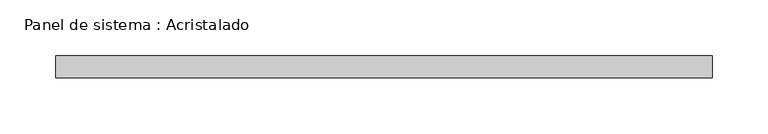
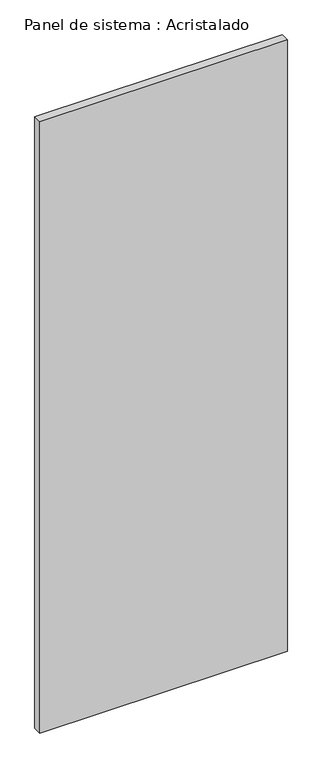
"""IFC4 building model written with IfcOpenShell, lengths in millimetres: plate geometry, Panel de sistema : Acristalado."""

from ifc_helpers import new_model, si_unit, origin, origin_with_axes, place, context, project, spatial, polyline, outline, extrude, source, transform, mapped, element, save


def panel_de_sistema_acristalado_c7351fac(model_context):
    return source(origin(), model_context, "Body", "SweptSolid", [
        extrude(outline(polyline([(294.7672999, -10.0), (-294.7672999, -10.0), (-294.7672999, 10.0), (294.7672999, 10.0), (294.7672999, -10.0)])), origin_with_axes(), (0.0, 0.0, 1.0), 1537.5081994),
    ])


if __name__ == "__main__":
    model = new_model("IFC4")
    model_context = context("Model", 3, world=origin())
    ifc_project = project(units=[si_unit("LENGTHUNIT", "METRE", prefix="MILLI")], contexts=[model_context])
    site = spatial("IfcSite", under=ifc_project)
    building = spatial("IfcBuilding", under=site)
    placement = place(None, origin())
    panel_de_sistema_acristalado_shape = panel_de_sistema_acristalado_c7351fac(model_context)
    element("IfcPlate", 1, ObjectType="Panel de sistema : Acristalado", at=placement, inside=building, context=model_context, shape_type="MappedRepresentation", body=[
        mapped(panel_de_sistema_acristalado_shape, transform((0.0, 0.0, 0.0), x_axis=(1.0, 0.0, 0.0), y_axis=(0.0, 1.0, 0.0), z_axis=(0.0, 0.0, 1.0))),
    ])
    save(model, "model.ifc")
